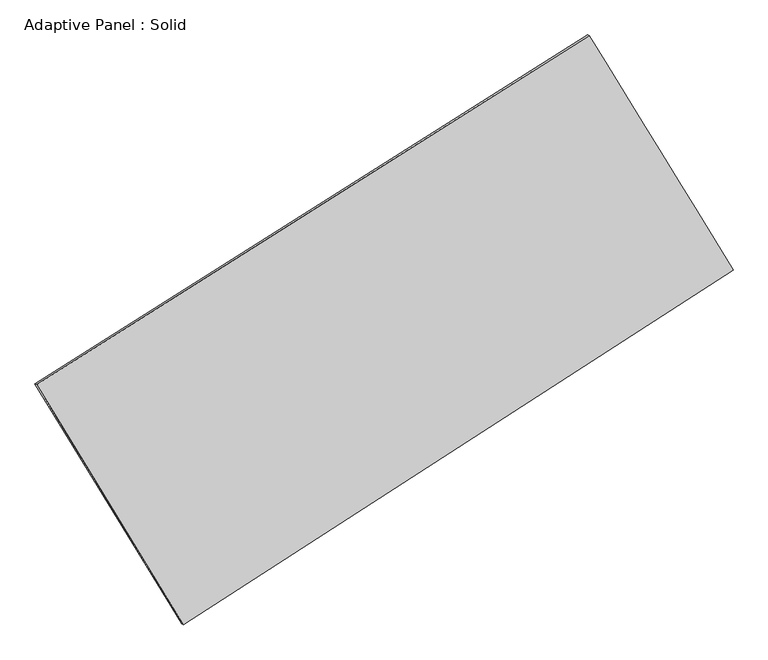
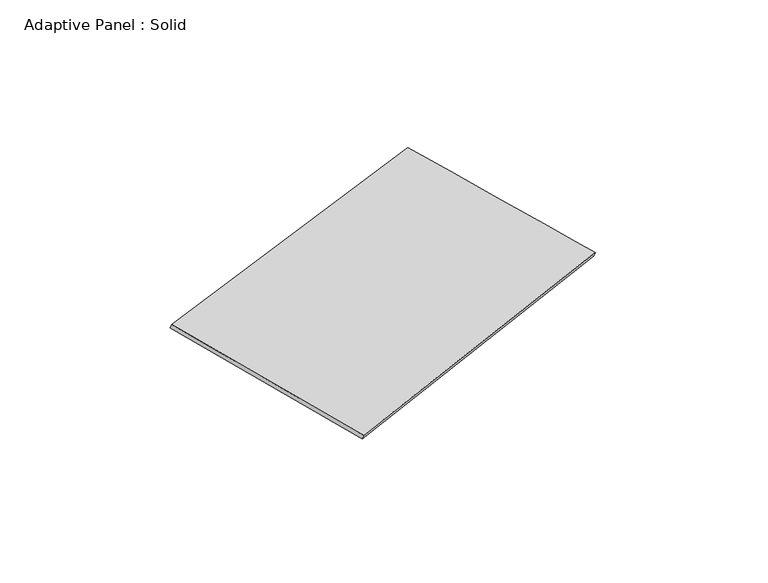
"""IFC4 building model written with IfcOpenShell, lengths in millimetres: plate geometry, Adaptive Panel : Solid."""

from ifc_helpers import new_model, si_unit, frame, origin, place, context, project, spatial, source, transform, mapped, element, save
from ifc_brep_helpers import plane_surface, spline_surface, advanced_brep


def adaptive_panel_solid_14e19dc1(model_context):
    return source(origin(), model_context, "Body", "AdvancedBrep", [
        advanced_brep(
        [(1150.3463481, 2493.6823771, 652.2294383), (-3736.7365328, -595.8694092, 1770.3401722), (-3722.070177, -602.2495026, 1817.7130802), (1165.0127039, 2487.3022836, 699.6023464), (-2439.9812087, -2719.3012991, 1061.982208), (-2425.3148528, -2725.6813925, 1109.355116), (2423.0808152, 421.2397583, 0.5707017), (2437.7471711, 414.8596648, 47.9436097)],
        [
            (0, 1),
            (1, 2),
            (2, 3),
            (3, 0),
            (1, 4),
            (4, 5),
            (5, 2),
            (4, 6),
            (6, 7),
            (7, 5),
            (6, 0),
            (3, 7),
        ],
        [
            plane_surface(frame((-1293.1950924, 948.906484, 1211.2848053), z_axis=(-0.47285006075751, 0.8419759267421172, 0.2597871413838112), x_axis=(-0.8298811779251307, -0.5246403505179257, 0.18986767269344673))),
            plane_surface(frame((-3088.3588707, -1657.5853541, 1416.1611901), z_axis=(-0.8126607125530709, -0.5552656011703989, 0.1768125516743949), x_axis=(0.5012681001402626, -0.8208245992092364, -0.2738197748789668))),
            plane_surface(frame((-8.4501967, -1149.0307704, 531.2764548), z_axis=(0.48256149255597774, -0.8357705464759874, -0.2619580110349301), x_axis=(0.8262802202497299, 0.5336076208394195, -0.18034385103504982))),
            plane_surface(frame((1786.7135817, 1457.4610677, 326.40007), z_axis=(0.8129072746402449, 0.5548629537140752, -0.17694311354969877), x_axis=(-0.5054861448385832, 0.8231025848781208, 0.2588163289732373))),
            spline_surface(1, 1, [[(-3722.070177, -602.2495026, 1817.7130802), (1165.0127039, 2487.3022836, 699.6023464)], [(-2425.3148528, -2725.6813925, 1109.355116), (2437.7471711, 414.8596648, 47.9436097)]], [2, 2], [2, 2], [0.0, 1.0], [0.0, 1.0]),
            spline_surface(1, 1, [[(2423.0808152, 421.2397583, 0.5707017), (1150.3463481, 2493.6823771, 652.2294383)], [(-2439.9812087, -2719.3012991, 1061.982208), (-3736.7365328, -595.8694092, 1770.3401722)]], [2, 2], [2, 2], [0.0, 1.0], [0.0, 1.0]),
        ],
        [
            (0, [[1, 2, 3, 4]]),
            (1, [[5, 6, 7, -2]]),
            (2, [[8, 9, 10, -6]]),
            (3, [[11, -4, 12, -9]]),
            (4, [[-3, -7, -10, -12]]),
            (5, [[-11, -8, -5, -1]]),
        ],
    ),
    ])


if __name__ == "__main__":
    model = new_model("IFC4")
    model_context = context("Model", 3, world=origin())
    ifc_project = project(units=[si_unit("LENGTHUNIT", "METRE", prefix="MILLI")], contexts=[model_context])
    site = spatial("IfcSite", under=ifc_project)
    building = spatial("IfcBuilding", under=site)
    placement = place(None, origin())
    adaptive_panel_solid_shape = adaptive_panel_solid_14e19dc1(model_context)
    element("IfcPlate", 1, ObjectType="Adaptive Panel : Solid", at=placement, inside=building, context=model_context, shape_type="MappedRepresentation", body=[
        mapped(adaptive_panel_solid_shape, transform((0.0, 0.0, 0.0), x_axis=(1.0, 0.0, 0.0), y_axis=(0.0, 1.0, 0.0), z_axis=(0.0, 0.0, 1.0))),
    ])
    save(model, "model.ifc")
